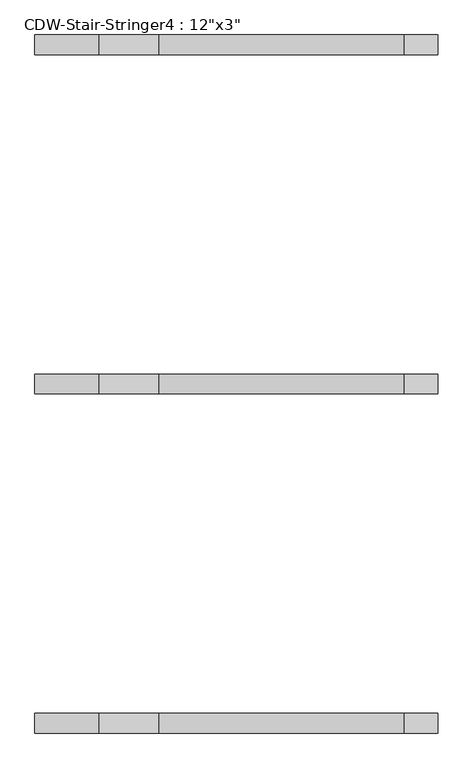
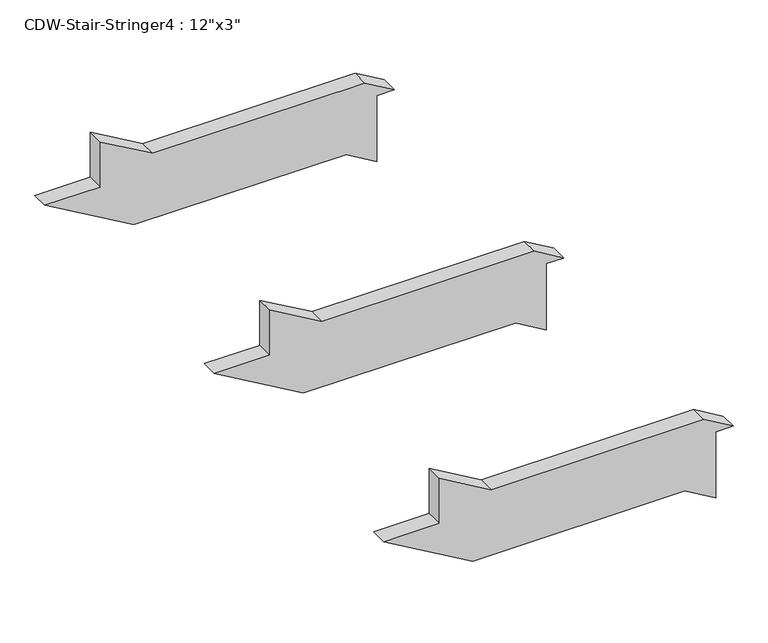
"""IFC4 building model written with IfcOpenShell, lengths in millimetres: proxy geometry."""

from ifc_helpers import new_model, si_unit, frame, origin, place, context, project, spatial, polyline, outline, extrude, source, transform, mapped, element, save


def proxy_0a466ecf(model_context):
    return source(origin(), model_context, "Body", "SweptSolid", [
        extrude(outline(polyline([(2413.0, 22684.2617937), (2413.0, 23620.8088109), (2333.1808906, 23755.8873038), (2641.6, 23755.8873038), (2641.6, 23833.0871151), (2717.8, 23704.1332689), (2717.8, 22766.4792418), (2851.4971276, 22536.6873038), (2641.6, 22536.6873038), (2641.6, 22291.3555437), (2413.0, 22684.2617937)])), frame((0.0, -26727.5287794, 0.0), z_axis=(0.0, 1.0, 0.0), x_axis=(0.0, 0.0, 1.0)), (0.0, 0.0, 1.0), 76.2),
        extrude(outline(polyline([(2413.0, 22684.2617937), (2413.0, 23620.8088109), (2333.1808906, 23755.8873038), (2641.6, 23755.8873038), (2641.6, 23833.0871151), (2717.8, 23704.1332689), (2717.8, 22766.4792418), (2851.4971276, 22536.6873038), (2641.6, 22536.6873038), (2641.6, 22291.3555437), (2413.0, 22684.2617937)])), frame((0.0, -28022.9287794, 0.0), z_axis=(0.0, 1.0, 0.0), x_axis=(0.0, 0.0, 1.0)), (0.0, 0.0, 1.0), 76.2),
        extrude(outline(polyline([(2413.0, 22684.2617937), (2413.0, 23620.8088109), (2333.1808906, 23755.8873038), (2641.6, 23755.8873038), (2641.6, 23833.0871151), (2717.8, 23704.1332689), (2717.8, 22766.4792418), (2851.4971276, 22536.6873038), (2641.6, 22536.6873038), (2641.6, 22291.3555437), (2413.0, 22684.2617937)])), frame((0.0, -29318.3287794, 0.0), z_axis=(0.0, 1.0, 0.0), x_axis=(0.0, 0.0, 1.0)), (0.0, 0.0, 1.0), 76.2),
    ])


if __name__ == "__main__":
    model = new_model("IFC4")
    model_context = context("Model", 3, world=origin())
    ifc_project = project(units=[si_unit("LENGTHUNIT", "METRE", prefix="MILLI")], contexts=[model_context])
    site = spatial("IfcSite", under=ifc_project)
    building = spatial("IfcBuilding", under=site)
    placement = place(None, origin())
    proxy_shape = proxy_0a466ecf(model_context)
    element("IfcBuildingElementProxy", 1, Name="CDW-Stair-Stringer4 : 12\"x3\"", ObjectType="CDW-Stair-Stringer4 : 12\"x3\"", at=placement, inside=building, context=model_context, shape_type="MappedRepresentation", body=[
        mapped(proxy_shape, transform((0.0, 0.0, 0.0), x_axis=(1.0, 0.0, 0.0), y_axis=(0.0, 1.0, 0.0), z_axis=(0.0, 0.0, 1.0))),
    ])
    save(model, "model.ifc")
